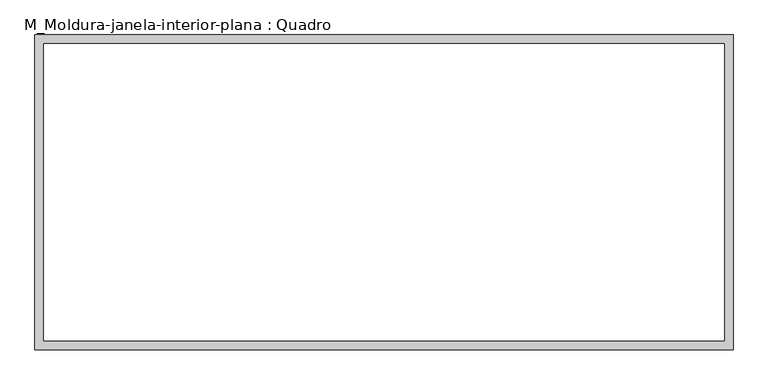
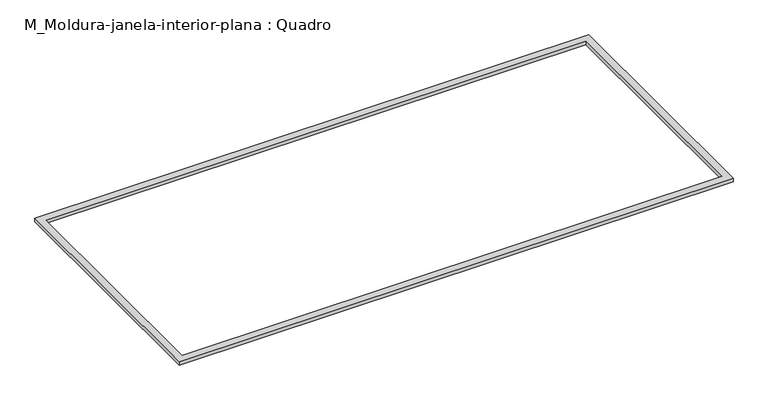
"""IFC4 building model written with IfcOpenShell, lengths in millimetres: proxy geometry, M_Moldura-janela-interior-plana : Quadro."""

from ifc_helpers import new_model, si_unit, origin, origin_with_axes, place, context, project, spatial, polyline, outline, extrude, source, transform, mapped, element, save


def m_moldura_janela_interior_plana_quadro_7123fc9e(model_context):
    return source(origin(), model_context, "Body", "SweptSolid", [
        extrude(outline(polyline([(2322.3, 47.3), (2322.3, -2047.3), (-2322.3, -2047.3), (-2322.3, 47.3), (2322.3, 47.3)]), holes=[polyline([(2262.3, -12.7), (-2262.3, -12.7), (-2262.3, -1987.3), (2262.3, -1987.3), (2262.3, -12.7)])]), origin_with_axes(), (0.0, 0.0, 1.0), 30.0),
    ])


if __name__ == "__main__":
    model = new_model("IFC4")
    model_context = context("Model", 3, world=origin())
    ifc_project = project(units=[si_unit("LENGTHUNIT", "METRE", prefix="MILLI")], contexts=[model_context])
    site = spatial("IfcSite", under=ifc_project)
    building = spatial("IfcBuilding", under=site)
    placement = place(None, origin())
    m_moldura_janela_interior_plana_quadro_shape = m_moldura_janela_interior_plana_quadro_7123fc9e(model_context)
    element("IfcBuildingElementProxy", 1, Name="M_Moldura-janela-interior-plana : Quadro", ObjectType="M_Moldura-janela-interior-plana : Quadro", at=placement, inside=building, context=model_context, shape_type="MappedRepresentation", body=[
        mapped(m_moldura_janela_interior_plana_quadro_shape, transform((0.0, 0.0, 0.0), x_axis=(1.0, 0.0, 0.0), y_axis=(0.0, 1.0, 0.0), z_axis=(0.0, 0.0, 1.0))),
    ])
    save(model, "model.ifc")
